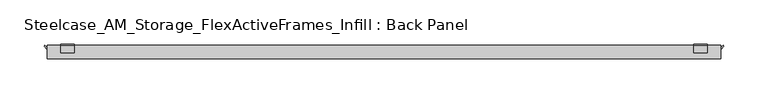
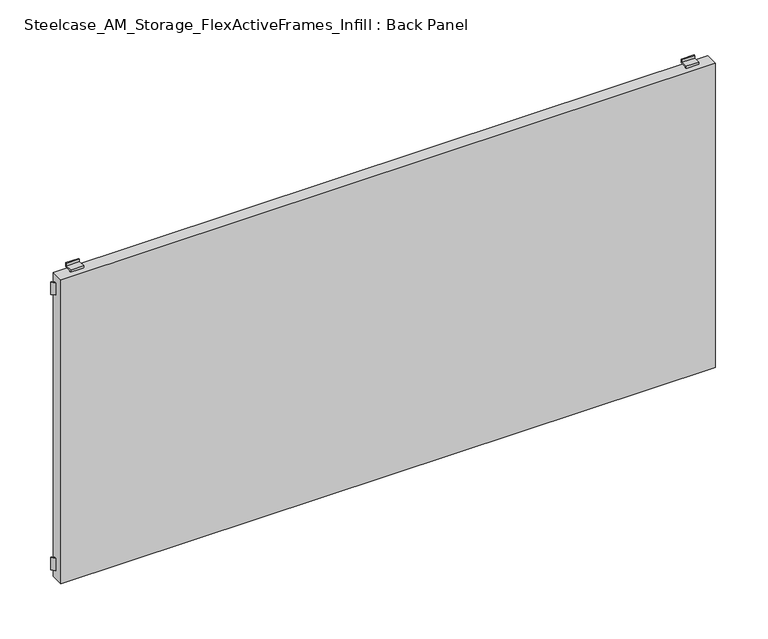
"""IFC4 building model written with IfcOpenShell, lengths in millimetres: furniture geometry, Steelcase_AM_Storage_FlexActiveFrames_Infill : Back Panel."""

from ifc_helpers import new_model, si_unit, frame, origin, place, context, project, spatial, polyline, outline, extrude, source, transform, mapped, element, save


def steelcase_am_storage_flexactiveframes_infill_back_panel_f78d3752(model_context):
    return source(origin(), model_context, "Body", "SweptSolid", [
        extrude(outline(polyline([(17.78, -5.2076414), (17.78, -7.3629029), (14.0473833, -3.6302862), (15.125014, -2.5526555), (17.78, -5.2076414)])), frame((0.0, 0.0, 472.0336), z_axis=(0.0, 0.0, 1.0), x_axis=(1.0, 0.0, 0.0)), (0.0, 0.0, 1.0), 15.24),
        extrude(outline(polyline([(782.32, -5.2076414), (784.974986, -2.5526555), (786.0526167, -3.6302862), (782.32, -7.3629029), (782.32, -5.2076414)])), frame((0.0, 0.0, 472.0336), z_axis=(0.0, 0.0, 1.0), x_axis=(1.0, 0.0, 0.0)), (0.0, 0.0, 1.0), 15.24),
        extrude(outline(polyline([(17.78, -5.2076414), (17.78, -7.3629029), (14.0473833, -3.6302862), (15.125014, -2.5526555), (17.78, -5.2076414)])), frame((0.0, 0.0, 131.6736), z_axis=(0.0, 0.0, 1.0), x_axis=(1.0, 0.0, 0.0)), (0.0, 0.0, 1.0), 15.24),
        extrude(outline(polyline([(782.32, -5.2076414), (784.974986, -2.5526555), (786.0526167, -3.6302862), (782.32, -7.3629029), (782.32, -5.2076414)])), frame((0.0, 0.0, 131.6736), z_axis=(0.0, 0.0, 1.0), x_axis=(1.0, 0.0, 0.0)), (0.0, 0.0, 1.0), 15.24),
        extrude(outline(polyline([(-2.54, 503.0770636), (-1.016, 503.0770636), (-1.016, 498.4496), (-9.398, 498.4496), (-9.398, 497.4336), (-10.922, 497.4336), (-10.922, 499.9736), (-2.54, 499.9736), (-2.54, 503.0770636)])), frame((751.84, 0.0, 0.0), z_axis=(1.0, 0.0, 0.0), x_axis=(0.0, 1.0, 0.0)), (0.0, 0.0, 1.0), 15.24),
        extrude(outline(polyline([(-2.54, 115.8701364), (-2.54, 118.9736), (-10.922, 118.9736), (-10.922, 121.5136), (-9.398, 121.5136), (-9.398, 120.4976), (-1.016, 120.4976), (-1.016, 115.8701364), (-2.54, 115.8701364)])), frame((751.84, 0.0, 0.0), z_axis=(1.0, 0.0, 0.0), x_axis=(0.0, 1.0, 0.0)), (0.0, 0.0, 1.0), 15.24),
        extrude(outline(polyline([(-2.54, 503.0770636), (-1.016, 503.0770636), (-1.016, 498.4496), (-9.398, 498.4496), (-9.398, 497.4336), (-10.922, 497.4336), (-10.922, 499.9736), (-2.54, 499.9736), (-2.54, 503.0770636)])), frame((33.02, 0.0, 0.0), z_axis=(1.0, 0.0, 0.0), x_axis=(0.0, 1.0, 0.0)), (0.0, 0.0, 1.0), 15.24),
        extrude(outline(polyline([(-2.54, 115.8701364), (-2.54, 118.9736), (-10.922, 118.9736), (-10.922, 121.5136), (-9.398, 121.5136), (-9.398, 120.4976), (-1.016, 120.4976), (-1.016, 115.8701364), (-2.54, 115.8701364)])), frame((33.02, 0.0, 0.0), z_axis=(1.0, 0.0, 0.0), x_axis=(0.0, 1.0, 0.0)), (0.0, 0.0, 1.0), 15.24),
        extrude(outline(polyline([(782.32, -17.78), (17.78, -17.78), (17.78, -2.54), (782.32, -2.54), (782.32, -17.78)])), frame((0.0, 0.0, 121.5136), z_axis=(0.0, 0.0, 1.0), x_axis=(1.0, 0.0, 0.0)), (0.0, 0.0, 1.0), 375.92),
    ])


if __name__ == "__main__":
    model = new_model("IFC4")
    model_context = context("Model", 3, world=origin())
    ifc_project = project(units=[si_unit("LENGTHUNIT", "METRE", prefix="MILLI")], contexts=[model_context])
    site = spatial("IfcSite", under=ifc_project)
    building = spatial("IfcBuilding", under=site)
    placement = place(None, origin())
    steelcase_am_storage_flexactiveframes_infill_back_panel_shape = steelcase_am_storage_flexactiveframes_infill_back_panel_f78d3752(model_context)
    element("IfcFurniture", 1, ObjectType="Steelcase_AM_Storage_FlexActiveFrames_Infill : Back Panel", at=placement, inside=building, context=model_context, shape_type="MappedRepresentation", body=[
        mapped(steelcase_am_storage_flexactiveframes_infill_back_panel_shape, transform((0.0, 0.0, 0.0), x_axis=(1.0, 0.0, 0.0), y_axis=(0.0, 1.0, 0.0), z_axis=(0.0, 0.0, 1.0))),
    ])
    save(model, "model.ifc")
